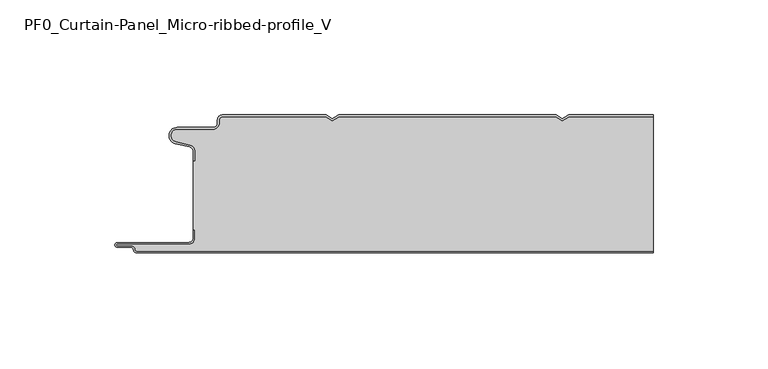
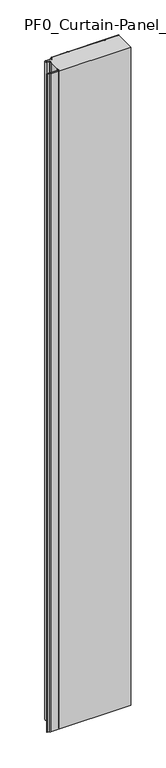
"""IFC4 building model written with IfcOpenShell, lengths in millimetres: plate geometry, PF0_Curtain-Panel_Micro-ribbed-profile_V."""

from ifc_helpers import new_model, si_unit, point, frame_2d, origin, origin_with_axes, place, context, project, spatial, polyline, circle_curve, trimmed, segment, composite_curve, outline, extrude, source, transform, mapped, element, save


def pf0_curtain_panel_micro_ribbed_profile_v_832a82a3(model_context):
    return source(origin(), model_context, "Body", "SweptSolid", [
        extrude(outline(composite_curve([segment(trimmed(circle_curve(frame_2d((-102.0119739, -15.878557)), 2.0), [point((-100.0119739, -15.878557))], [point((-101.5620718, -13.9298169))], True, "CARTESIAN"), True, "CONTINUOUS"), segment(polyline([(-101.5620718, -13.9298169), (-107.7217978, -12.507732)]), True, "CONTINUOUS"), segment(trimmed(circle_curve(frame_2d((-106.9119739, -9.0)), 3.6), [point((-107.7217978, -12.507732))], [point((-106.9119739, -5.4))], False, "CARTESIAN"), True, "CONTINUOUS"), segment(polyline([(-106.9119739, -5.4), (-91.4119739, -5.4)]), True, "CONTINUOUS"), segment(trimmed(circle_curve(frame_2d((-91.4119739, -3.4)), 2.0), [point((-91.4119739, -5.4))], [point((-89.4119739, -3.4))], True, "CARTESIAN"), True, "CONTINUOUS"), segment(polyline([(-89.4119739, -3.4), (-89.4119739, -2.0)]), True, "CONTINUOUS"), segment(trimmed(circle_curve(frame_2d((-87.4119739, -2.0)), 2.0), [point((-89.4119739, -2.0))], [point((-87.4119739, 0.0))], False, "CARTESIAN"), True, "CONTINUOUS"), segment(polyline([(-87.4119739, 0.0), (-42.1119734, 0.0), (-39.4119739, -1.5588455), (-36.7119745, 0.0), (57.8880266, 0.0), (60.5880261, -1.5588455), (63.2880255, 0.0), (100.0119739, 0.0), (100.0119739, -0.8), (63.5023849, -0.8), (60.5880261, -2.482606), (57.6736672, -0.8), (-36.4976151, -0.8), (-39.4119739, -2.482606), (-42.3263328, -0.8), (-87.4119739, -0.8)]), True, "CONTINUOUS"), segment(trimmed(circle_curve(frame_2d((-87.4119739, -2.0)), 1.2), [point((-87.4119739, -0.8))], [point((-88.6119739, -2.0))], True, "CARTESIAN"), True, "CONTINUOUS"), segment(polyline([(-88.6119739, -2.0), (-88.6119739, -3.4)]), True, "CONTINUOUS"), segment(trimmed(circle_curve(frame_2d((-91.4119739, -3.4)), 2.8), [point((-88.6119739, -3.4))], [point((-91.4119739, -6.2))], False, "CARTESIAN"), True, "CONTINUOUS"), segment(polyline([(-91.4119739, -6.2), (-106.9119739, -6.2)]), True, "CONTINUOUS"), segment(trimmed(circle_curve(frame_2d((-106.9119739, -9.0)), 2.8), [point((-106.9119739, -6.2))], [point((-107.541837, -11.7282362))], True, "CARTESIAN"), True, "CONTINUOUS"), segment(polyline([(-107.541837, -11.7282362), (-101.3821109, -13.150321)]), True, "CONTINUOUS"), segment(trimmed(circle_curve(frame_2d((-102.0119739, -15.878557)), 2.8), [point((-101.3821109, -13.150321))], [point((-99.2119739, -15.878557))], False, "CARTESIAN"), True, "CONTINUOUS"), segment(polyline([(-99.2119739, -15.878557), (-99.2119739, -20.0), (-100.0119739, -20.0), (-100.0119739, -15.878557)]), True, "CONTINUOUS")], self_intersect=False)), origin_with_axes(), (0.0, 0.0, 1.0), 1945.7507136),
        extrude(outline(composite_curve([segment(polyline([(-99.2119739, -50.0), (-100.0119739, -50.0), (-100.0119739, -20.0), (-99.2119739, -20.0), (-99.2119739, -15.878557)]), True, "CONTINUOUS"), segment(trimmed(circle_curve(frame_2d((-102.0119739, -15.878557)), 2.8), [point((-99.2119739, -15.878557))], [point((-101.3821109, -13.1503208))], True, "CARTESIAN"), True, "CONTINUOUS"), segment(polyline([(-101.3821109, -13.1503208), (-107.5418369, -11.7282362)]), True, "CONTINUOUS"), segment(trimmed(circle_curve(frame_2d((-106.9119739, -9.0)), 2.8), [point((-107.5418369, -11.7282362))], [point((-106.9119739, -6.2))], False, "CARTESIAN"), True, "CONTINUOUS"), segment(polyline([(-106.9119739, -6.2), (-91.4119739, -6.2)]), True, "CONTINUOUS"), segment(trimmed(circle_curve(frame_2d((-91.4119739, -3.4)), 2.8), [point((-91.4119739, -6.2))], [point((-88.6119739, -3.4))], True, "CARTESIAN"), True, "CONTINUOUS"), segment(polyline([(-88.6119739, -3.4), (-88.6119739, -2.0)]), True, "CONTINUOUS"), segment(trimmed(circle_curve(frame_2d((-87.4119739, -2.0)), 1.2), [point((-88.6119739, -2.0))], [point((-87.4119739, -0.8))], False, "CARTESIAN"), True, "CONTINUOUS"), segment(polyline([(-87.4119739, -0.8), (-42.3263328, -0.8), (-39.4119739, -2.482606), (-36.4976151, -0.8), (57.6736672, -0.8), (60.5880261, -2.482606), (63.5023849, -0.8), (100.0119739, -0.8), (100.0119739, -59.2), (-124.4119739, -59.2)]), True, "CONTINUOUS"), segment(trimmed(circle_curve(frame_2d((-124.4119739, -58.4)), 0.8), [point((-124.4119739, -59.2))], [point((-125.2119739, -58.4))], False, "CARTESIAN"), True, "CONTINUOUS"), segment(trimmed(circle_curve(frame_2d((-126.9119739, -58.6133333)), 1.7133333), [point((-125.2119739, -58.4))], [point((-126.9119739, -56.9))], True, "CARTESIAN"), True, "CONTINUOUS"), segment(polyline([(-126.9119739, -56.9), (-132.8820051, -56.9)]), True, "CONTINUOUS"), segment(trimmed(circle_curve(frame_2d((-132.8820051, -56.6)), 0.3), [point((-132.8820051, -56.9))], [point((-132.8820051, -56.3))], False, "CARTESIAN"), True, "CONTINUOUS"), segment(polyline([(-132.8820051, -56.3), (-102.0119739, -56.3)]), True, "CONTINUOUS"), segment(trimmed(circle_curve(frame_2d((-102.0119739, -53.5)), 2.8), [point((-102.0119739, -56.3))], [point((-99.2119739, -53.5))], True, "CARTESIAN"), True, "CONTINUOUS"), segment(polyline([(-99.2119739, -53.5), (-99.2119739, -50.0)]), True, "CONTINUOUS")], self_intersect=False)), origin_with_axes(), (0.0, 0.0, 1.0), 1945.7507136),
        extrude(outline(composite_curve([segment(polyline([(-100.0119739, -50.0), (-99.2119739, -50.0), (-99.2119739, -53.5)]), True, "CONTINUOUS"), segment(trimmed(circle_curve(frame_2d((-102.0119739, -53.5)), 2.8), [point((-99.2119739, -53.5))], [point((-102.0119739, -56.3))], False, "CARTESIAN"), True, "CONTINUOUS"), segment(polyline([(-102.0119739, -56.3), (-132.8820051, -56.3)]), True, "CONTINUOUS"), segment(trimmed(circle_curve(frame_2d((-132.8820051, -56.6)), 0.3), [point((-132.8820051, -56.3))], [point((-132.8820051, -56.9))], True, "CARTESIAN"), True, "CONTINUOUS"), segment(polyline([(-132.8820051, -56.9), (-126.9119739, -56.9)]), True, "CONTINUOUS"), segment(trimmed(circle_curve(frame_2d((-126.9119739, -58.6133333)), 1.7133333), [point((-126.9119739, -56.9))], [point((-125.2119739, -58.4))], False, "CARTESIAN"), True, "CONTINUOUS"), segment(trimmed(circle_curve(frame_2d((-124.4119739, -58.4)), 0.8), [point((-125.2119739, -58.4))], [point((-124.4119739, -59.2))], True, "CARTESIAN"), True, "CONTINUOUS"), segment(polyline([(-124.4119739, -59.2), (100.0119739, -59.2), (100.0119739, -60.0), (-124.4119739, -60.0)]), True, "CONTINUOUS"), segment(trimmed(circle_curve(frame_2d((-124.4119739, -58.4)), 1.6), [point((-124.4119739, -60.0))], [point((-126.0119739, -58.4))], False, "CARTESIAN"), True, "CONTINUOUS"), segment(trimmed(circle_curve(frame_2d((-126.9119739, -58.4)), 0.9), [point((-126.0119739, -58.4))], [point((-126.9119739, -57.5))], True, "CARTESIAN"), True, "CONTINUOUS"), segment(polyline([(-126.9119739, -57.5), (-133.0119739, -57.5)]), True, "CONTINUOUS"), segment(trimmed(circle_curve(frame_2d((-133.0119739, -56.5)), 1.0), [point((-133.0119739, -57.5))], [point((-133.0119739, -55.5))], False, "CARTESIAN"), True, "CONTINUOUS"), segment(polyline([(-133.0119739, -55.5), (-102.0119739, -55.5)]), True, "CONTINUOUS"), segment(trimmed(circle_curve(frame_2d((-102.0119739, -53.5)), 2.0), [point((-102.0119739, -55.5))], [point((-100.0119739, -53.5))], True, "CARTESIAN"), True, "CONTINUOUS"), segment(polyline([(-100.0119739, -53.5), (-100.0119739, -50.0)]), True, "CONTINUOUS")], self_intersect=False)), origin_with_axes(), (0.0, 0.0, 1.0), 1945.7507136),
    ])


if __name__ == "__main__":
    model = new_model("IFC4")
    model_context = context("Model", 3, world=origin())
    ifc_project = project(units=[si_unit("LENGTHUNIT", "METRE", prefix="MILLI")], contexts=[model_context])
    site = spatial("IfcSite", under=ifc_project)
    building = spatial("IfcBuilding", under=site)
    placement = place(None, origin())
    pf0_curtain_panel_micro_ribbed_profile_v_shape = pf0_curtain_panel_micro_ribbed_profile_v_832a82a3(model_context)
    element("IfcPlate", 1, ObjectType="PF0_Curtain-Panel_Micro-ribbed-profile_V", at=placement, inside=building, context=model_context, shape_type="MappedRepresentation", body=[
        mapped(pf0_curtain_panel_micro_ribbed_profile_v_shape, transform((0.0, 0.0, 0.0), x_axis=(1.0, 0.0, 0.0), y_axis=(0.0, 1.0, 0.0), z_axis=(0.0, 0.0, 1.0))),
    ])
    save(model, "model.ifc")
